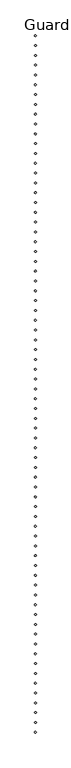
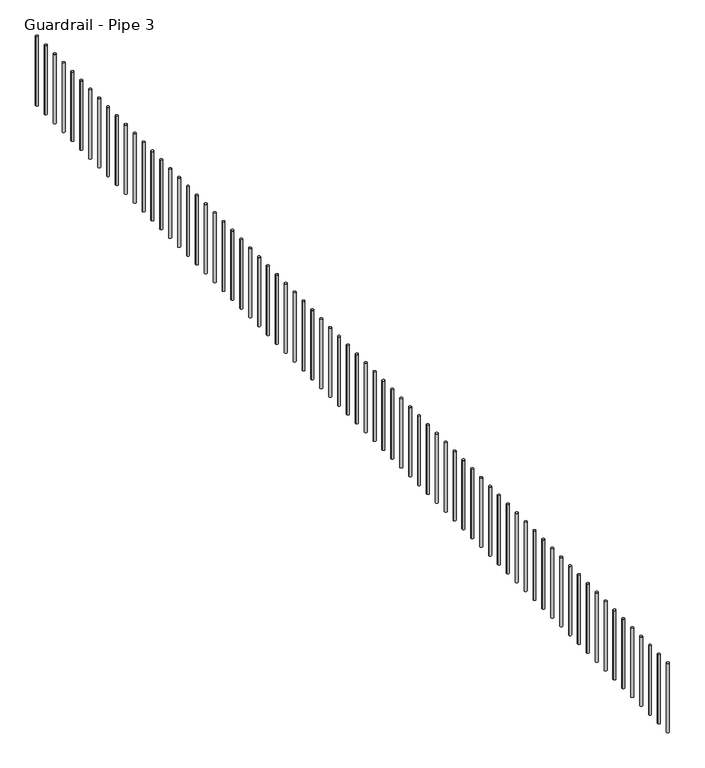
"""IFC4 building model written with IfcOpenShell, lengths in millimetres: railing geometry, Guardrail - Pipe 3."""

import ifcopenshell
import ifcopenshell.guid

model = None  # the IFC model being written
_history = None  # IfcOwnerHistory: only IFC2X3 demands one
_inside = {}  # id of a spatial element -> (the spatial element, [elements in it])
_under = {}  # id of a project, library or spatial element -> (it, [spatial elements below it])
_declared = {}  # id of a project -> (the project, [libraries it declares])
_typed = {}  # id of a type object -> (the type object, [elements of that type])
_made_of = {}  # id of a material, layer set ... -> (it, [elements and type objects made of it])


def new_model(schema):
    """Start an empty IFC model of exactly this schema.

    Asked for "IFC4X3", IfcOpenShell would pick the latest addendum, in which some entities
    have other attributes; the version numbers below select the first issue.
    IFC2X3 requires an IfcOwnerHistory on every rooted entity: one is made here for all.
    """
    global model, _history
    if schema == "IFC4X3":
        model = ifcopenshell.file(schema_version=(4, 3, 0, 0))
    else:
        model = ifcopenshell.file(schema=schema)
    _inside.clear()
    _under.clear()
    _declared.clear()
    _typed.clear()
    _made_of.clear()
    _history = None
    if model.schema == "IFC2X3":
        org = make("IfcOrganization", Name="unknown")
        user = make(
            "IfcPersonAndOrganization",
            ThePerson=make("IfcPerson", FamilyName="unknown"),
            TheOrganization=org,
        )
        app = make(
            "IfcApplication",
            ApplicationDeveloper=org,
            Version="unknown",
            ApplicationFullName="unknown",
            ApplicationIdentifier="unknown",
        )
        _history = make(
            "IfcOwnerHistory",
            OwningUser=user,
            OwningApplication=app,
            ChangeAction="ADDED",
            CreationDate=0,
        )
    return model


def make(cls, **values):
    """One entity of the class cls with the attributes given. An attribute that is None is left unset."""
    return model.create_entity(
        cls, **{name: value for name, value in values.items() if value is not None}
    )


def rooted(cls, **values):
    """An entity with a GlobalId (a new one), such as an element, a storey or a relation."""
    return make(cls, GlobalId=ifcopenshell.guid.new(), OwnerHistory=_history, **values)


def si_unit(unit_type, name, prefix=None):
    """IfcSIUnit, for example si_unit("LENGTHUNIT", "METRE", prefix="MILLI")."""
    return make("IfcSIUnit", UnitType=unit_type, Prefix=prefix, Name=name)


def assignment(units):
    """IfcUnitAssignment: the units of a project."""
    return None if units is None else make("IfcUnitAssignment", Units=units)


def point(xyz):
    """IfcCartesianPoint."""
    return None if xyz is None else make("IfcCartesianPoint", Coordinates=xyz)


def direction(xyz):
    """IfcDirection."""
    return None if xyz is None else make("IfcDirection", DirectionRatios=xyz)


def frame(location, z_axis=None, x_axis=None):
    """IfcAxis2Placement3D, a coordinate frame: its origin and axes. An axis left out is left unset."""
    return make(
        "IfcAxis2Placement3D",
        Location=point(location),
        Axis=direction(z_axis),
        RefDirection=direction(x_axis),
    )


def frame_2d(location, x_axis=None):
    """IfcAxis2Placement2D, a coordinate frame in the plane: its origin and x axis."""
    return make(
        "IfcAxis2Placement2D", Location=point(location), RefDirection=direction(x_axis)
    )


def origin():
    """The frame at (0, 0, 0) with its axes left unset."""
    return frame((0.0, 0.0, 0.0))


def place(relative_to, where):
    """IfcLocalPlacement: puts the frame where relative to a parent placement (None: the world)."""
    return make(
        "IfcLocalPlacement", PlacementRelTo=relative_to, RelativePlacement=where
    )


def context(
    kind, dimensions, precision=None, world=None, true_north=None, identifier=None
):
    """IfcGeometricRepresentationContext, for example the 3D "Model" context."""
    return make(
        "IfcGeometricRepresentationContext",
        ContextIdentifier=identifier,
        ContextType=kind,
        CoordinateSpaceDimension=dimensions,
        Precision=precision,
        WorldCoordinateSystem=world,
        TrueNorth=true_north,
    )


def project(units=None, contexts=None):
    """IfcProject with its units and contexts."""
    return rooted(
        "IfcProject",
        Name="project",
        RepresentationContexts=contexts,
        UnitsInContext=assignment(units),
    )


def spatial(cls, under=None, at=None, **own):
    """A site, building, storey or space (cls), placed at a placement, below another one or the project."""
    s = rooted(cls, ObjectPlacement=at, **own)
    if under is not None:
        _under.setdefault(under.id(), (under, []))[1].append(s)
    return s


def circle_curve(where, radius):
    """IfcCircle in the frame where."""
    return make("IfcCircle", Position=where, Radius=radius)


def trimmed(basis, trim1, trim2, sense, master):
    """IfcTrimmedCurve: the piece of a basis curve between two trims."""
    return make(
        "IfcTrimmedCurve",
        BasisCurve=basis,
        Trim1=trim1,
        Trim2=trim2,
        SenseAgreement=sense,
        MasterRepresentation=master,
    )


def segment(curve, same_sense, transition):
    """IfcCompositeCurveSegment."""
    return make(
        "IfcCompositeCurveSegment",
        Transition=transition,
        SameSense=same_sense,
        ParentCurve=curve,
    )


def composite_curve(segments, self_intersect=None):
    """IfcCompositeCurve: segments joined end to end."""
    return make("IfcCompositeCurve", Segments=segments, SelfIntersect=self_intersect)


def outline(outer, holes=None, kind="AREA"):
    """IfcArbitraryClosedProfileDef: a profile drawn as a closed curve; with holes, ...WithVoids."""
    if holes is None:
        return make("IfcArbitraryClosedProfileDef", ProfileType=kind, OuterCurve=outer)
    return make(
        "IfcArbitraryProfileDefWithVoids",
        ProfileType=kind,
        OuterCurve=outer,
        InnerCurves=holes,
    )


def extrude(swept, where, along, depth):
    """IfcExtrudedAreaSolid: the profile swept, set in the frame where, extruded along a direction by depth."""
    return make(
        "IfcExtrudedAreaSolid",
        SweptArea=swept,
        Position=where,
        ExtrudedDirection=direction(along),
        Depth=depth,
    )


def shape(context_of_items, identifier, shape_type, items):
    """IfcShapeRepresentation: the items that make up one representation, for example the "Body"."""
    return make(
        "IfcShapeRepresentation",
        ContextOfItems=context_of_items,
        RepresentationIdentifier=identifier,
        RepresentationType=shape_type,
        Items=items,
    )


def source(mapping_origin, context_of_items, identifier, shape_type, items):
    """IfcRepresentationMap: a shape defined once, which mapped items show again and again."""
    return make(
        "IfcRepresentationMap",
        MappingOrigin=mapping_origin,
        MappedRepresentation=shape(context_of_items, identifier, shape_type, items),
    )


def transform(
    local_origin,
    x_axis=None,
    y_axis=None,
    z_axis=None,
    scale=None,
    scale2=None,
    scale3=None,
    uniform=True,
):
    """IfcCartesianTransformationOperator3D, or its non-uniform kind. x_axis, y_axis, z_axis: its Axis1, 2, 3."""
    if uniform:
        return make(
            "IfcCartesianTransformationOperator3D",
            Axis1=direction(x_axis),
            Axis2=direction(y_axis),
            LocalOrigin=point(local_origin),
            Scale=scale,
            Axis3=direction(z_axis),
        )
    return make(
        "IfcCartesianTransformationOperator3DnonUniform",
        Axis1=direction(x_axis),
        Axis2=direction(y_axis),
        LocalOrigin=point(local_origin),
        Scale=scale,
        Axis3=direction(z_axis),
        Scale2=scale2,
        Scale3=scale3,
    )


def mapped(mapping_source, mapping_target):
    """IfcMappedItem: shows the shape of a source again, moved by a transform."""
    return make(
        "IfcMappedItem", MappingSource=mapping_source, MappingTarget=mapping_target
    )


def made_of(thing, what):
    """Note that an element or type object is made of a material, layer set ...; save() writes the relation."""
    if what is not None:
        _made_of.setdefault(what.id(), (what, []))[1].append(thing)
    return thing


def element(
    cls,
    number,
    at=None,
    inside=None,
    cuts=None,
    type_object=None,
    material=None,
    context=None,
    identifier="Body",
    shape_type=None,
    held_by="IfcProductDefinitionShape",
    body=None,
    shapes=None,
    **own,
):
    """One element of the class cls, such as IfcWall. Its Tag is "e" and its number.

    at: its placement. inside: the storey or other place that contains it. cuts: it is an
    opening in that element (IfcRelVoidsElement). A single representation is given by context,
    identifier, shape_type and body (its items); several are given by shapes. held_by: the class
    of the entity that holds the representations. save() writes the other relations.
    """
    e = rooted(cls, Tag="e%d" % number, ObjectPlacement=at, **own)
    if body is not None:
        shapes = [shape(context, identifier, shape_type, body)]
    if shapes is not None:
        e.Representation = make(held_by, Representations=shapes)
    if inside is not None:
        _inside.setdefault(inside.id(), (inside, []))[1].append(e)
    if cuts is not None:
        rooted(
            "IfcRelVoidsElement", RelatingBuildingElement=cuts, RelatedOpeningElement=e
        )
    if type_object is not None:
        _typed.setdefault(type_object.id(), (type_object, []))[1].append(e)
    return made_of(e, material)


def aggregate(whole, parts):
    """IfcRelAggregates: a whole, such as a stair, and the parts it consists of."""
    return rooted("IfcRelAggregates", RelatingObject=whole, RelatedObjects=parts)


def save(model, path):
    """Write the relations noted so far, then the file.

    IfcRelAggregates (storeys below a building ...), IfcRelContainedInSpatialStructure (elements
    in a storey), IfcRelDefinesByType, IfcRelAssociatesMaterial and IfcRelDeclares: one each for
    every whole, place, type object, material and project.
    """
    for whole, parts in _under.values():
        aggregate(whole, parts)
    for where, things in _inside.values():
        rooted(
            "IfcRelContainedInSpatialStructure",
            RelatedElements=things,
            RelatingStructure=where,
        )
    for kind, things in _typed.values():
        rooted("IfcRelDefinesByType", RelatedObjects=things, RelatingType=kind)
    for what, things in _made_of.values():
        rooted("IfcRelAssociatesMaterial", RelatedObjects=things, RelatingMaterial=what)
    for by, libraries in _declared.values():
        rooted("IfcRelDeclares", RelatingContext=by, RelatedDefinitions=libraries)
    model.write(path)


def guardrail_pipe_3_2afe7700(model_context):
    return source(origin(), model_context, "Body", "SweptSolid", [
        extrude(outline(composite_curve([segment(trimmed(circle_curve(frame_2d((267300.2280266, -532345.8424218)), 12.7), [point((267312.9280266, -532345.8424218))], [point((267287.5280266, -532345.8424218))], False, "CARTESIAN"), True, "CONTINUOUS"), segment(trimmed(circle_curve(frame_2d((267300.2280266, -532345.8424218)), 12.7), [point((267287.5280266, -532345.8424218))], [point((267312.9280266, -532345.8424218))], False, "CARTESIAN"), True, "CONTINUOUS")], self_intersect=False)), frame((0.0, 0.0, 4267.2), z_axis=(0.0, 0.0, 1.0), x_axis=(1.0, 0.0, 0.0)), (0.0, 0.0, 1.0), 723.9),
        extrude(outline(composite_curve([segment(trimmed(circle_curve(frame_2d((267300.2280266, -532193.4424218)), 12.7), [point((267312.9280266, -532193.4424218))], [point((267287.5280266, -532193.4424218))], False, "CARTESIAN"), True, "CONTINUOUS"), segment(trimmed(circle_curve(frame_2d((267300.2280266, -532193.4424218)), 12.7), [point((267287.5280266, -532193.4424218))], [point((267312.9280266, -532193.4424218))], False, "CARTESIAN"), True, "CONTINUOUS")], self_intersect=False)), frame((0.0, 0.0, 4267.2), z_axis=(0.0, 0.0, 1.0), x_axis=(1.0, 0.0, 0.0)), (0.0, 0.0, 1.0), 723.9),
        extrude(outline(composite_curve([segment(trimmed(circle_curve(frame_2d((267300.2280266, -532041.0424218)), 12.7), [point((267312.9280266, -532041.0424218))], [point((267287.5280266, -532041.0424218))], False, "CARTESIAN"), True, "CONTINUOUS"), segment(trimmed(circle_curve(frame_2d((267300.2280266, -532041.0424218)), 12.7), [point((267287.5280266, -532041.0424218))], [point((267312.9280266, -532041.0424218))], False, "CARTESIAN"), True, "CONTINUOUS")], self_intersect=False)), frame((0.0, 0.0, 4267.2), z_axis=(0.0, 0.0, 1.0), x_axis=(1.0, 0.0, 0.0)), (0.0, 0.0, 1.0), 723.9),
        extrude(outline(composite_curve([segment(trimmed(circle_curve(frame_2d((267300.2280266, -531888.6424218)), 12.7), [point((267312.9280266, -531888.6424218))], [point((267287.5280266, -531888.6424218))], False, "CARTESIAN"), True, "CONTINUOUS"), segment(trimmed(circle_curve(frame_2d((267300.2280266, -531888.6424218)), 12.7), [point((267287.5280266, -531888.6424218))], [point((267312.9280266, -531888.6424218))], False, "CARTESIAN"), True, "CONTINUOUS")], self_intersect=False)), frame((0.0, 0.0, 4267.2), z_axis=(0.0, 0.0, 1.0), x_axis=(1.0, 0.0, 0.0)), (0.0, 0.0, 1.0), 723.9),
        extrude(outline(composite_curve([segment(trimmed(circle_curve(frame_2d((267300.2280266, -531736.2424218)), 12.7), [point((267312.9280266, -531736.2424218))], [point((267287.5280266, -531736.2424218))], False, "CARTESIAN"), True, "CONTINUOUS"), segment(trimmed(circle_curve(frame_2d((267300.2280266, -531736.2424218)), 12.7), [point((267287.5280266, -531736.2424218))], [point((267312.9280266, -531736.2424218))], False, "CARTESIAN"), True, "CONTINUOUS")], self_intersect=False)), frame((0.0, 0.0, 4267.2), z_axis=(0.0, 0.0, 1.0), x_axis=(1.0, 0.0, 0.0)), (0.0, 0.0, 1.0), 723.9),
        extrude(outline(composite_curve([segment(trimmed(circle_curve(frame_2d((267300.2280266, -531583.8424218)), 12.7), [point((267312.9280266, -531583.8424218))], [point((267287.5280266, -531583.8424218))], False, "CARTESIAN"), True, "CONTINUOUS"), segment(trimmed(circle_curve(frame_2d((267300.2280266, -531583.8424218)), 12.7), [point((267287.5280266, -531583.8424218))], [point((267312.9280266, -531583.8424218))], False, "CARTESIAN"), True, "CONTINUOUS")], self_intersect=False)), frame((0.0, 0.0, 4267.2), z_axis=(0.0, 0.0, 1.0), x_axis=(1.0, 0.0, 0.0)), (0.0, 0.0, 1.0), 723.9),
        extrude(outline(composite_curve([segment(trimmed(circle_curve(frame_2d((267300.2280266, -531431.4424218)), 12.7), [point((267312.9280266, -531431.4424218))], [point((267287.5280266, -531431.4424218))], False, "CARTESIAN"), True, "CONTINUOUS"), segment(trimmed(circle_curve(frame_2d((267300.2280266, -531431.4424218)), 12.7), [point((267287.5280266, -531431.4424218))], [point((267312.9280266, -531431.4424218))], False, "CARTESIAN"), True, "CONTINUOUS")], self_intersect=False)), frame((0.0, 0.0, 4267.2), z_axis=(0.0, 0.0, 1.0), x_axis=(1.0, 0.0, 0.0)), (0.0, 0.0, 1.0), 723.9),
        extrude(outline(composite_curve([segment(trimmed(circle_curve(frame_2d((267300.2280266, -531279.0424218)), 12.7), [point((267312.9280266, -531279.0424218))], [point((267287.5280266, -531279.0424218))], False, "CARTESIAN"), True, "CONTINUOUS"), segment(trimmed(circle_curve(frame_2d((267300.2280266, -531279.0424218)), 12.7), [point((267287.5280266, -531279.0424218))], [point((267312.9280266, -531279.0424218))], False, "CARTESIAN"), True, "CONTINUOUS")], self_intersect=False)), frame((0.0, 0.0, 4267.2), z_axis=(0.0, 0.0, 1.0), x_axis=(1.0, 0.0, 0.0)), (0.0, 0.0, 1.0), 723.9),
        extrude(outline(composite_curve([segment(trimmed(circle_curve(frame_2d((267300.2280266, -531126.6424218)), 12.7), [point((267312.9280266, -531126.6424218))], [point((267287.5280266, -531126.6424218))], False, "CARTESIAN"), True, "CONTINUOUS"), segment(trimmed(circle_curve(frame_2d((267300.2280266, -531126.6424218)), 12.7), [point((267287.5280266, -531126.6424218))], [point((267312.9280266, -531126.6424218))], False, "CARTESIAN"), True, "CONTINUOUS")], self_intersect=False)), frame((0.0, 0.0, 4267.2), z_axis=(0.0, 0.0, 1.0), x_axis=(1.0, 0.0, 0.0)), (0.0, 0.0, 1.0), 723.9),
        extrude(outline(composite_curve([segment(trimmed(circle_curve(frame_2d((267300.2280266, -530974.2424218)), 12.7), [point((267312.9280266, -530974.2424218))], [point((267287.5280266, -530974.2424218))], False, "CARTESIAN"), True, "CONTINUOUS"), segment(trimmed(circle_curve(frame_2d((267300.2280266, -530974.2424218)), 12.7), [point((267287.5280266, -530974.2424218))], [point((267312.9280266, -530974.2424218))], False, "CARTESIAN"), True, "CONTINUOUS")], self_intersect=False)), frame((0.0, 0.0, 4267.2), z_axis=(0.0, 0.0, 1.0), x_axis=(1.0, 0.0, 0.0)), (0.0, 0.0, 1.0), 723.9),
        extrude(outline(composite_curve([segment(trimmed(circle_curve(frame_2d((267300.2280266, -530821.8424218)), 12.7), [point((267312.9280266, -530821.8424218))], [point((267287.5280266, -530821.8424218))], False, "CARTESIAN"), True, "CONTINUOUS"), segment(trimmed(circle_curve(frame_2d((267300.2280266, -530821.8424218)), 12.7), [point((267287.5280266, -530821.8424218))], [point((267312.9280266, -530821.8424218))], False, "CARTESIAN"), True, "CONTINUOUS")], self_intersect=False)), frame((0.0, 0.0, 4267.2), z_axis=(0.0, 0.0, 1.0), x_axis=(1.0, 0.0, 0.0)), (0.0, 0.0, 1.0), 723.9),
        extrude(outline(composite_curve([segment(trimmed(circle_curve(frame_2d((267300.2280266, -530669.4424218)), 12.7), [point((267312.9280266, -530669.4424218))], [point((267287.5280266, -530669.4424218))], False, "CARTESIAN"), True, "CONTINUOUS"), segment(trimmed(circle_curve(frame_2d((267300.2280266, -530669.4424218)), 12.7), [point((267287.5280266, -530669.4424218))], [point((267312.9280266, -530669.4424218))], False, "CARTESIAN"), True, "CONTINUOUS")], self_intersect=False)), frame((0.0, 0.0, 4267.2), z_axis=(0.0, 0.0, 1.0), x_axis=(1.0, 0.0, 0.0)), (0.0, 0.0, 1.0), 723.9),
        extrude(outline(composite_curve([segment(trimmed(circle_curve(frame_2d((267300.2280266, -530517.0424218)), 12.7), [point((267312.9280266, -530517.0424218))], [point((267287.5280266, -530517.0424218))], False, "CARTESIAN"), True, "CONTINUOUS"), segment(trimmed(circle_curve(frame_2d((267300.2280266, -530517.0424218)), 12.7), [point((267287.5280266, -530517.0424218))], [point((267312.9280266, -530517.0424218))], False, "CARTESIAN"), True, "CONTINUOUS")], self_intersect=False)), frame((0.0, 0.0, 4267.2), z_axis=(0.0, 0.0, 1.0), x_axis=(1.0, 0.0, 0.0)), (0.0, 0.0, 1.0), 723.9),
        extrude(outline(composite_curve([segment(trimmed(circle_curve(frame_2d((267300.2280266, -530364.6424218)), 12.7), [point((267312.9280266, -530364.6424218))], [point((267287.5280266, -530364.6424218))], False, "CARTESIAN"), True, "CONTINUOUS"), segment(trimmed(circle_curve(frame_2d((267300.2280266, -530364.6424218)), 12.7), [point((267287.5280266, -530364.6424218))], [point((267312.9280266, -530364.6424218))], False, "CARTESIAN"), True, "CONTINUOUS")], self_intersect=False)), frame((0.0, 0.0, 4267.2), z_axis=(0.0, 0.0, 1.0), x_axis=(1.0, 0.0, 0.0)), (0.0, 0.0, 1.0), 723.9),
        extrude(outline(composite_curve([segment(trimmed(circle_curve(frame_2d((267300.2280266, -530212.2424218)), 12.7), [point((267312.9280266, -530212.2424218))], [point((267287.5280266, -530212.2424218))], False, "CARTESIAN"), True, "CONTINUOUS"), segment(trimmed(circle_curve(frame_2d((267300.2280266, -530212.2424218)), 12.7), [point((267287.5280266, -530212.2424218))], [point((267312.9280266, -530212.2424218))], False, "CARTESIAN"), True, "CONTINUOUS")], self_intersect=False)), frame((0.0, 0.0, 4267.2), z_axis=(0.0, 0.0, 1.0), x_axis=(1.0, 0.0, 0.0)), (0.0, 0.0, 1.0), 723.9),
        extrude(outline(composite_curve([segment(trimmed(circle_curve(frame_2d((267300.2280266, -530059.8424218)), 12.7), [point((267312.9280266, -530059.8424218))], [point((267287.5280266, -530059.8424218))], False, "CARTESIAN"), True, "CONTINUOUS"), segment(trimmed(circle_curve(frame_2d((267300.2280266, -530059.8424218)), 12.7), [point((267287.5280266, -530059.8424218))], [point((267312.9280266, -530059.8424218))], False, "CARTESIAN"), True, "CONTINUOUS")], self_intersect=False)), frame((0.0, 0.0, 4267.2), z_axis=(0.0, 0.0, 1.0), x_axis=(1.0, 0.0, 0.0)), (0.0, 0.0, 1.0), 723.9),
        extrude(outline(composite_curve([segment(trimmed(circle_curve(frame_2d((267300.2280266, -529907.4424218)), 12.7), [point((267312.9280266, -529907.4424218))], [point((267287.5280266, -529907.4424218))], False, "CARTESIAN"), True, "CONTINUOUS"), segment(trimmed(circle_curve(frame_2d((267300.2280266, -529907.4424218)), 12.7), [point((267287.5280266, -529907.4424218))], [point((267312.9280266, -529907.4424218))], False, "CARTESIAN"), True, "CONTINUOUS")], self_intersect=False)), frame((0.0, 0.0, 4267.2), z_axis=(0.0, 0.0, 1.0), x_axis=(1.0, 0.0, 0.0)), (0.0, 0.0, 1.0), 723.9),
        extrude(outline(composite_curve([segment(trimmed(circle_curve(frame_2d((267300.2280266, -529755.0424218)), 12.7), [point((267312.9280266, -529755.0424218))], [point((267287.5280266, -529755.0424218))], False, "CARTESIAN"), True, "CONTINUOUS"), segment(trimmed(circle_curve(frame_2d((267300.2280266, -529755.0424218)), 12.7), [point((267287.5280266, -529755.0424218))], [point((267312.9280266, -529755.0424218))], False, "CARTESIAN"), True, "CONTINUOUS")], self_intersect=False)), frame((0.0, 0.0, 4267.2), z_axis=(0.0, 0.0, 1.0), x_axis=(1.0, 0.0, 0.0)), (0.0, 0.0, 1.0), 723.9),
        extrude(outline(composite_curve([segment(trimmed(circle_curve(frame_2d((267300.2280266, -529602.6424218)), 12.7), [point((267312.9280266, -529602.6424218))], [point((267287.5280266, -529602.6424218))], False, "CARTESIAN"), True, "CONTINUOUS"), segment(trimmed(circle_curve(frame_2d((267300.2280266, -529602.6424218)), 12.7), [point((267287.5280266, -529602.6424218))], [point((267312.9280266, -529602.6424218))], False, "CARTESIAN"), True, "CONTINUOUS")], self_intersect=False)), frame((0.0, 0.0, 4267.2), z_axis=(0.0, 0.0, 1.0), x_axis=(1.0, 0.0, 0.0)), (0.0, 0.0, 1.0), 723.9),
        extrude(outline(composite_curve([segment(trimmed(circle_curve(frame_2d((267300.2280266, -529450.2424218)), 12.7), [point((267312.9280266, -529450.2424218))], [point((267287.5280266, -529450.2424218))], False, "CARTESIAN"), True, "CONTINUOUS"), segment(trimmed(circle_curve(frame_2d((267300.2280266, -529450.2424218)), 12.7), [point((267287.5280266, -529450.2424218))], [point((267312.9280266, -529450.2424218))], False, "CARTESIAN"), True, "CONTINUOUS")], self_intersect=False)), frame((0.0, 0.0, 4267.2), z_axis=(0.0, 0.0, 1.0), x_axis=(1.0, 0.0, 0.0)), (0.0, 0.0, 1.0), 723.9),
        extrude(outline(composite_curve([segment(trimmed(circle_curve(frame_2d((267300.2280266, -529297.8424218)), 12.7), [point((267312.9280266, -529297.8424218))], [point((267287.5280266, -529297.8424218))], False, "CARTESIAN"), True, "CONTINUOUS"), segment(trimmed(circle_curve(frame_2d((267300.2280266, -529297.8424218)), 12.7), [point((267287.5280266, -529297.8424218))], [point((267312.9280266, -529297.8424218))], False, "CARTESIAN"), True, "CONTINUOUS")], self_intersect=False)), frame((0.0, 0.0, 4267.2), z_axis=(0.0, 0.0, 1.0), x_axis=(1.0, 0.0, 0.0)), (0.0, 0.0, 1.0), 723.9),
        extrude(outline(composite_curve([segment(trimmed(circle_curve(frame_2d((267300.2280266, -529145.4424218)), 12.7), [point((267312.9280266, -529145.4424218))], [point((267287.5280266, -529145.4424218))], False, "CARTESIAN"), True, "CONTINUOUS"), segment(trimmed(circle_curve(frame_2d((267300.2280266, -529145.4424218)), 12.7), [point((267287.5280266, -529145.4424218))], [point((267312.9280266, -529145.4424218))], False, "CARTESIAN"), True, "CONTINUOUS")], self_intersect=False)), frame((0.0, 0.0, 4267.2), z_axis=(0.0, 0.0, 1.0), x_axis=(1.0, 0.0, 0.0)), (0.0, 0.0, 1.0), 723.9),
        extrude(outline(composite_curve([segment(trimmed(circle_curve(frame_2d((267300.2280266, -528993.0424218)), 12.7), [point((267312.9280266, -528993.0424218))], [point((267287.5280266, -528993.0424218))], False, "CARTESIAN"), True, "CONTINUOUS"), segment(trimmed(circle_curve(frame_2d((267300.2280266, -528993.0424218)), 12.7), [point((267287.5280266, -528993.0424218))], [point((267312.9280266, -528993.0424218))], False, "CARTESIAN"), True, "CONTINUOUS")], self_intersect=False)), frame((0.0, 0.0, 4267.2), z_axis=(0.0, 0.0, 1.0), x_axis=(1.0, 0.0, 0.0)), (0.0, 0.0, 1.0), 723.9),
        extrude(outline(composite_curve([segment(trimmed(circle_curve(frame_2d((267300.2280266, -528840.6424218)), 12.7), [point((267312.9280266, -528840.6424218))], [point((267287.5280266, -528840.6424218))], False, "CARTESIAN"), True, "CONTINUOUS"), segment(trimmed(circle_curve(frame_2d((267300.2280266, -528840.6424218)), 12.7), [point((267287.5280266, -528840.6424218))], [point((267312.9280266, -528840.6424218))], False, "CARTESIAN"), True, "CONTINUOUS")], self_intersect=False)), frame((0.0, 0.0, 4267.2), z_axis=(0.0, 0.0, 1.0), x_axis=(1.0, 0.0, 0.0)), (0.0, 0.0, 1.0), 723.9),
        extrude(outline(composite_curve([segment(trimmed(circle_curve(frame_2d((267300.2280266, -528688.2424218)), 12.7), [point((267312.9280266, -528688.2424218))], [point((267287.5280266, -528688.2424218))], False, "CARTESIAN"), True, "CONTINUOUS"), segment(trimmed(circle_curve(frame_2d((267300.2280266, -528688.2424218)), 12.7), [point((267287.5280266, -528688.2424218))], [point((267312.9280266, -528688.2424218))], False, "CARTESIAN"), True, "CONTINUOUS")], self_intersect=False)), frame((0.0, 0.0, 4267.2), z_axis=(0.0, 0.0, 1.0), x_axis=(1.0, 0.0, 0.0)), (0.0, 0.0, 1.0), 723.9),
        extrude(outline(composite_curve([segment(trimmed(circle_curve(frame_2d((267300.2280266, -528535.8424218)), 12.7), [point((267312.9280266, -528535.8424218))], [point((267287.5280266, -528535.8424218))], False, "CARTESIAN"), True, "CONTINUOUS"), segment(trimmed(circle_curve(frame_2d((267300.2280266, -528535.8424218)), 12.7), [point((267287.5280266, -528535.8424218))], [point((267312.9280266, -528535.8424218))], False, "CARTESIAN"), True, "CONTINUOUS")], self_intersect=False)), frame((0.0, 0.0, 4267.2), z_axis=(0.0, 0.0, 1.0), x_axis=(1.0, 0.0, 0.0)), (0.0, 0.0, 1.0), 723.9),
        extrude(outline(composite_curve([segment(trimmed(circle_curve(frame_2d((267300.2280266, -528383.4424218)), 12.7), [point((267312.9280266, -528383.4424218))], [point((267287.5280266, -528383.4424218))], False, "CARTESIAN"), True, "CONTINUOUS"), segment(trimmed(circle_curve(frame_2d((267300.2280266, -528383.4424218)), 12.7), [point((267287.5280266, -528383.4424218))], [point((267312.9280266, -528383.4424218))], False, "CARTESIAN"), True, "CONTINUOUS")], self_intersect=False)), frame((0.0, 0.0, 4267.2), z_axis=(0.0, 0.0, 1.0), x_axis=(1.0, 0.0, 0.0)), (0.0, 0.0, 1.0), 723.9),
        extrude(outline(composite_curve([segment(trimmed(circle_curve(frame_2d((267300.2280266, -528231.0424218)), 12.7), [point((267312.9280266, -528231.0424218))], [point((267287.5280266, -528231.0424218))], False, "CARTESIAN"), True, "CONTINUOUS"), segment(trimmed(circle_curve(frame_2d((267300.2280266, -528231.0424218)), 12.7), [point((267287.5280266, -528231.0424218))], [point((267312.9280266, -528231.0424218))], False, "CARTESIAN"), True, "CONTINUOUS")], self_intersect=False)), frame((0.0, 0.0, 4267.2), z_axis=(0.0, 0.0, 1.0), x_axis=(1.0, 0.0, 0.0)), (0.0, 0.0, 1.0), 723.9),
        extrude(outline(composite_curve([segment(trimmed(circle_curve(frame_2d((267300.2280266, -528078.6424218)), 12.7), [point((267312.9280266, -528078.6424218))], [point((267287.5280266, -528078.6424218))], False, "CARTESIAN"), True, "CONTINUOUS"), segment(trimmed(circle_curve(frame_2d((267300.2280266, -528078.6424218)), 12.7), [point((267287.5280266, -528078.6424218))], [point((267312.9280266, -528078.6424218))], False, "CARTESIAN"), True, "CONTINUOUS")], self_intersect=False)), frame((0.0, 0.0, 4267.2), z_axis=(0.0, 0.0, 1.0), x_axis=(1.0, 0.0, 0.0)), (0.0, 0.0, 1.0), 723.9),
        extrude(outline(composite_curve([segment(trimmed(circle_curve(frame_2d((267300.2280266, -527926.2424218)), 12.7), [point((267312.9280266, -527926.2424218))], [point((267287.5280266, -527926.2424218))], False, "CARTESIAN"), True, "CONTINUOUS"), segment(trimmed(circle_curve(frame_2d((267300.2280266, -527926.2424218)), 12.7), [point((267287.5280266, -527926.2424218))], [point((267312.9280266, -527926.2424218))], False, "CARTESIAN"), True, "CONTINUOUS")], self_intersect=False)), frame((0.0, 0.0, 4267.2), z_axis=(0.0, 0.0, 1.0), x_axis=(1.0, 0.0, 0.0)), (0.0, 0.0, 1.0), 723.9),
        extrude(outline(composite_curve([segment(trimmed(circle_curve(frame_2d((267300.2280266, -527773.8424218)), 12.7), [point((267312.9280266, -527773.8424218))], [point((267287.5280266, -527773.8424218))], False, "CARTESIAN"), True, "CONTINUOUS"), segment(trimmed(circle_curve(frame_2d((267300.2280266, -527773.8424218)), 12.7), [point((267287.5280266, -527773.8424218))], [point((267312.9280266, -527773.8424218))], False, "CARTESIAN"), True, "CONTINUOUS")], self_intersect=False)), frame((0.0, 0.0, 4267.2), z_axis=(0.0, 0.0, 1.0), x_axis=(1.0, 0.0, 0.0)), (0.0, 0.0, 1.0), 723.9),
        extrude(outline(composite_curve([segment(trimmed(circle_curve(frame_2d((267300.2280266, -527621.4424218)), 12.7), [point((267312.9280266, -527621.4424218))], [point((267287.5280266, -527621.4424218))], False, "CARTESIAN"), True, "CONTINUOUS"), segment(trimmed(circle_curve(frame_2d((267300.2280266, -527621.4424218)), 12.7), [point((267287.5280266, -527621.4424218))], [point((267312.9280266, -527621.4424218))], False, "CARTESIAN"), True, "CONTINUOUS")], self_intersect=False)), frame((0.0, 0.0, 4267.2), z_axis=(0.0, 0.0, 1.0), x_axis=(1.0, 0.0, 0.0)), (0.0, 0.0, 1.0), 723.9),
        extrude(outline(composite_curve([segment(trimmed(circle_curve(frame_2d((267300.2280266, -527469.0424218)), 12.7), [point((267312.9280266, -527469.0424218))], [point((267287.5280266, -527469.0424218))], False, "CARTESIAN"), True, "CONTINUOUS"), segment(trimmed(circle_curve(frame_2d((267300.2280266, -527469.0424218)), 12.7), [point((267287.5280266, -527469.0424218))], [point((267312.9280266, -527469.0424218))], False, "CARTESIAN"), True, "CONTINUOUS")], self_intersect=False)), frame((0.0, 0.0, 4267.2), z_axis=(0.0, 0.0, 1.0), x_axis=(1.0, 0.0, 0.0)), (0.0, 0.0, 1.0), 723.9),
        extrude(outline(composite_curve([segment(trimmed(circle_curve(frame_2d((267300.2280266, -527316.6424218)), 12.7), [point((267312.9280266, -527316.6424218))], [point((267287.5280266, -527316.6424218))], False, "CARTESIAN"), True, "CONTINUOUS"), segment(trimmed(circle_curve(frame_2d((267300.2280266, -527316.6424218)), 12.7), [point((267287.5280266, -527316.6424218))], [point((267312.9280266, -527316.6424218))], False, "CARTESIAN"), True, "CONTINUOUS")], self_intersect=False)), frame((0.0, 0.0, 4267.2), z_axis=(0.0, 0.0, 1.0), x_axis=(1.0, 0.0, 0.0)), (0.0, 0.0, 1.0), 723.9),
        extrude(outline(composite_curve([segment(trimmed(circle_curve(frame_2d((267300.2280266, -527164.2424218)), 12.7), [point((267312.9280266, -527164.2424218))], [point((267287.5280266, -527164.2424218))], False, "CARTESIAN"), True, "CONTINUOUS"), segment(trimmed(circle_curve(frame_2d((267300.2280266, -527164.2424218)), 12.7), [point((267287.5280266, -527164.2424218))], [point((267312.9280266, -527164.2424218))], False, "CARTESIAN"), True, "CONTINUOUS")], self_intersect=False)), frame((0.0, 0.0, 4267.2), z_axis=(0.0, 0.0, 1.0), x_axis=(1.0, 0.0, 0.0)), (0.0, 0.0, 1.0), 723.9),
        extrude(outline(composite_curve([segment(trimmed(circle_curve(frame_2d((267300.2280266, -527011.8424218)), 12.7), [point((267312.9280266, -527011.8424218))], [point((267287.5280266, -527011.8424218))], False, "CARTESIAN"), True, "CONTINUOUS"), segment(trimmed(circle_curve(frame_2d((267300.2280266, -527011.8424218)), 12.7), [point((267287.5280266, -527011.8424218))], [point((267312.9280266, -527011.8424218))], False, "CARTESIAN"), True, "CONTINUOUS")], self_intersect=False)), frame((0.0, 0.0, 4267.2), z_axis=(0.0, 0.0, 1.0), x_axis=(1.0, 0.0, 0.0)), (0.0, 0.0, 1.0), 723.9),
        extrude(outline(composite_curve([segment(trimmed(circle_curve(frame_2d((267300.2280266, -526859.4424218)), 12.7), [point((267312.9280266, -526859.4424218))], [point((267287.5280266, -526859.4424218))], False, "CARTESIAN"), True, "CONTINUOUS"), segment(trimmed(circle_curve(frame_2d((267300.2280266, -526859.4424218)), 12.7), [point((267287.5280266, -526859.4424218))], [point((267312.9280266, -526859.4424218))], False, "CARTESIAN"), True, "CONTINUOUS")], self_intersect=False)), frame((0.0, 0.0, 4267.2), z_axis=(0.0, 0.0, 1.0), x_axis=(1.0, 0.0, 0.0)), (0.0, 0.0, 1.0), 723.9),
        extrude(outline(composite_curve([segment(trimmed(circle_curve(frame_2d((267300.2280266, -526707.0424218)), 12.7), [point((267312.9280266, -526707.0424218))], [point((267287.5280266, -526707.0424218))], False, "CARTESIAN"), True, "CONTINUOUS"), segment(trimmed(circle_curve(frame_2d((267300.2280266, -526707.0424218)), 12.7), [point((267287.5280266, -526707.0424218))], [point((267312.9280266, -526707.0424218))], False, "CARTESIAN"), True, "CONTINUOUS")], self_intersect=False)), frame((0.0, 0.0, 4267.2), z_axis=(0.0, 0.0, 1.0), x_axis=(1.0, 0.0, 0.0)), (0.0, 0.0, 1.0), 723.9),
        extrude(outline(composite_curve([segment(trimmed(circle_curve(frame_2d((267300.2280266, -526554.6424218)), 12.7), [point((267312.9280266, -526554.6424218))], [point((267287.5280266, -526554.6424218))], False, "CARTESIAN"), True, "CONTINUOUS"), segment(trimmed(circle_curve(frame_2d((267300.2280266, -526554.6424218)), 12.7), [point((267287.5280266, -526554.6424218))], [point((267312.9280266, -526554.6424218))], False, "CARTESIAN"), True, "CONTINUOUS")], self_intersect=False)), frame((0.0, 0.0, 4267.2), z_axis=(0.0, 0.0, 1.0), x_axis=(1.0, 0.0, 0.0)), (0.0, 0.0, 1.0), 723.9),
        extrude(outline(composite_curve([segment(trimmed(circle_curve(frame_2d((267300.2280266, -526402.2424218)), 12.7), [point((267312.9280266, -526402.2424218))], [point((267287.5280266, -526402.2424218))], False, "CARTESIAN"), True, "CONTINUOUS"), segment(trimmed(circle_curve(frame_2d((267300.2280266, -526402.2424218)), 12.7), [point((267287.5280266, -526402.2424218))], [point((267312.9280266, -526402.2424218))], False, "CARTESIAN"), True, "CONTINUOUS")], self_intersect=False)), frame((0.0, 0.0, 4267.2), z_axis=(0.0, 0.0, 1.0), x_axis=(1.0, 0.0, 0.0)), (0.0, 0.0, 1.0), 723.9),
        extrude(outline(composite_curve([segment(trimmed(circle_curve(frame_2d((267300.2280266, -526249.8424218)), 12.7), [point((267312.9280266, -526249.8424218))], [point((267287.5280266, -526249.8424218))], False, "CARTESIAN"), True, "CONTINUOUS"), segment(trimmed(circle_curve(frame_2d((267300.2280266, -526249.8424218)), 12.7), [point((267287.5280266, -526249.8424218))], [point((267312.9280266, -526249.8424218))], False, "CARTESIAN"), True, "CONTINUOUS")], self_intersect=False)), frame((0.0, 0.0, 4267.2), z_axis=(0.0, 0.0, 1.0), x_axis=(1.0, 0.0, 0.0)), (0.0, 0.0, 1.0), 723.9),
        extrude(outline(composite_curve([segment(trimmed(circle_curve(frame_2d((267300.2280266, -526097.4424218)), 12.7), [point((267312.9280266, -526097.4424218))], [point((267287.5280266, -526097.4424218))], False, "CARTESIAN"), True, "CONTINUOUS"), segment(trimmed(circle_curve(frame_2d((267300.2280266, -526097.4424218)), 12.7), [point((267287.5280266, -526097.4424218))], [point((267312.9280266, -526097.4424218))], False, "CARTESIAN"), True, "CONTINUOUS")], self_intersect=False)), frame((0.0, 0.0, 4267.2), z_axis=(0.0, 0.0, 1.0), x_axis=(1.0, 0.0, 0.0)), (0.0, 0.0, 1.0), 723.9),
        extrude(outline(composite_curve([segment(trimmed(circle_curve(frame_2d((267300.2280266, -525945.0424218)), 12.7), [point((267312.9280266, -525945.0424218))], [point((267287.5280266, -525945.0424218))], False, "CARTESIAN"), True, "CONTINUOUS"), segment(trimmed(circle_curve(frame_2d((267300.2280266, -525945.0424218)), 12.7), [point((267287.5280266, -525945.0424218))], [point((267312.9280266, -525945.0424218))], False, "CARTESIAN"), True, "CONTINUOUS")], self_intersect=False)), frame((0.0, 0.0, 4267.2), z_axis=(0.0, 0.0, 1.0), x_axis=(1.0, 0.0, 0.0)), (0.0, 0.0, 1.0), 723.9),
        extrude(outline(composite_curve([segment(trimmed(circle_curve(frame_2d((267300.2280266, -525792.6424218)), 12.7), [point((267312.9280266, -525792.6424218))], [point((267287.5280266, -525792.6424218))], False, "CARTESIAN"), True, "CONTINUOUS"), segment(trimmed(circle_curve(frame_2d((267300.2280266, -525792.6424218)), 12.7), [point((267287.5280266, -525792.6424218))], [point((267312.9280266, -525792.6424218))], False, "CARTESIAN"), True, "CONTINUOUS")], self_intersect=False)), frame((0.0, 0.0, 4267.2), z_axis=(0.0, 0.0, 1.0), x_axis=(1.0, 0.0, 0.0)), (0.0, 0.0, 1.0), 723.9),
        extrude(outline(composite_curve([segment(trimmed(circle_curve(frame_2d((267300.2280266, -525640.2424218)), 12.7), [point((267312.9280266, -525640.2424218))], [point((267287.5280266, -525640.2424218))], False, "CARTESIAN"), True, "CONTINUOUS"), segment(trimmed(circle_curve(frame_2d((267300.2280266, -525640.2424218)), 12.7), [point((267287.5280266, -525640.2424218))], [point((267312.9280266, -525640.2424218))], False, "CARTESIAN"), True, "CONTINUOUS")], self_intersect=False)), frame((0.0, 0.0, 4267.2), z_axis=(0.0, 0.0, 1.0), x_axis=(1.0, 0.0, 0.0)), (0.0, 0.0, 1.0), 723.9),
        extrude(outline(composite_curve([segment(trimmed(circle_curve(frame_2d((267300.2280266, -525487.8424218)), 12.7), [point((267312.9280266, -525487.8424218))], [point((267287.5280266, -525487.8424218))], False, "CARTESIAN"), True, "CONTINUOUS"), segment(trimmed(circle_curve(frame_2d((267300.2280266, -525487.8424218)), 12.7), [point((267287.5280266, -525487.8424218))], [point((267312.9280266, -525487.8424218))], False, "CARTESIAN"), True, "CONTINUOUS")], self_intersect=False)), frame((0.0, 0.0, 4267.2), z_axis=(0.0, 0.0, 1.0), x_axis=(1.0, 0.0, 0.0)), (0.0, 0.0, 1.0), 723.9),
        extrude(outline(composite_curve([segment(trimmed(circle_curve(frame_2d((267300.2280266, -525335.4424218)), 12.7), [point((267312.9280266, -525335.4424218))], [point((267287.5280266, -525335.4424218))], False, "CARTESIAN"), True, "CONTINUOUS"), segment(trimmed(circle_curve(frame_2d((267300.2280266, -525335.4424218)), 12.7), [point((267287.5280266, -525335.4424218))], [point((267312.9280266, -525335.4424218))], False, "CARTESIAN"), True, "CONTINUOUS")], self_intersect=False)), frame((0.0, 0.0, 4267.2), z_axis=(0.0, 0.0, 1.0), x_axis=(1.0, 0.0, 0.0)), (0.0, 0.0, 1.0), 723.9),
        extrude(outline(composite_curve([segment(trimmed(circle_curve(frame_2d((267300.2280266, -525183.0424218)), 12.7), [point((267312.9280266, -525183.0424218))], [point((267287.5280266, -525183.0424218))], False, "CARTESIAN"), True, "CONTINUOUS"), segment(trimmed(circle_curve(frame_2d((267300.2280266, -525183.0424218)), 12.7), [point((267287.5280266, -525183.0424218))], [point((267312.9280266, -525183.0424218))], False, "CARTESIAN"), True, "CONTINUOUS")], self_intersect=False)), frame((0.0, 0.0, 4267.2), z_axis=(0.0, 0.0, 1.0), x_axis=(1.0, 0.0, 0.0)), (0.0, 0.0, 1.0), 723.9),
        extrude(outline(composite_curve([segment(trimmed(circle_curve(frame_2d((267300.2280266, -525030.6424218)), 12.7), [point((267312.9280266, -525030.6424218))], [point((267287.5280266, -525030.6424218))], False, "CARTESIAN"), True, "CONTINUOUS"), segment(trimmed(circle_curve(frame_2d((267300.2280266, -525030.6424218)), 12.7), [point((267287.5280266, -525030.6424218))], [point((267312.9280266, -525030.6424218))], False, "CARTESIAN"), True, "CONTINUOUS")], self_intersect=False)), frame((0.0, 0.0, 4267.2), z_axis=(0.0, 0.0, 1.0), x_axis=(1.0, 0.0, 0.0)), (0.0, 0.0, 1.0), 723.9),
        extrude(outline(composite_curve([segment(trimmed(circle_curve(frame_2d((267300.2280266, -524878.2424218)), 12.7), [point((267312.9280266, -524878.2424218))], [point((267287.5280266, -524878.2424218))], False, "CARTESIAN"), True, "CONTINUOUS"), segment(trimmed(circle_curve(frame_2d((267300.2280266, -524878.2424218)), 12.7), [point((267287.5280266, -524878.2424218))], [point((267312.9280266, -524878.2424218))], False, "CARTESIAN"), True, "CONTINUOUS")], self_intersect=False)), frame((0.0, 0.0, 4267.2), z_axis=(0.0, 0.0, 1.0), x_axis=(1.0, 0.0, 0.0)), (0.0, 0.0, 1.0), 723.9),
        extrude(outline(composite_curve([segment(trimmed(circle_curve(frame_2d((267300.2280266, -524725.8424218)), 12.7), [point((267312.9280266, -524725.8424218))], [point((267287.5280266, -524725.8424218))], False, "CARTESIAN"), True, "CONTINUOUS"), segment(trimmed(circle_curve(frame_2d((267300.2280266, -524725.8424218)), 12.7), [point((267287.5280266, -524725.8424218))], [point((267312.9280266, -524725.8424218))], False, "CARTESIAN"), True, "CONTINUOUS")], self_intersect=False)), frame((0.0, 0.0, 4267.2), z_axis=(0.0, 0.0, 1.0), x_axis=(1.0, 0.0, 0.0)), (0.0, 0.0, 1.0), 723.9),
        extrude(outline(composite_curve([segment(trimmed(circle_curve(frame_2d((267300.2280266, -524573.4424218)), 12.7), [point((267312.9280266, -524573.4424218))], [point((267287.5280266, -524573.4424218))], False, "CARTESIAN"), True, "CONTINUOUS"), segment(trimmed(circle_curve(frame_2d((267300.2280266, -524573.4424218)), 12.7), [point((267287.5280266, -524573.4424218))], [point((267312.9280266, -524573.4424218))], False, "CARTESIAN"), True, "CONTINUOUS")], self_intersect=False)), frame((0.0, 0.0, 4267.2), z_axis=(0.0, 0.0, 1.0), x_axis=(1.0, 0.0, 0.0)), (0.0, 0.0, 1.0), 723.9),
        extrude(outline(composite_curve([segment(trimmed(circle_curve(frame_2d((267300.2280266, -524421.0424218)), 12.7), [point((267312.9280266, -524421.0424218))], [point((267287.5280266, -524421.0424218))], False, "CARTESIAN"), True, "CONTINUOUS"), segment(trimmed(circle_curve(frame_2d((267300.2280266, -524421.0424218)), 12.7), [point((267287.5280266, -524421.0424218))], [point((267312.9280266, -524421.0424218))], False, "CARTESIAN"), True, "CONTINUOUS")], self_intersect=False)), frame((0.0, 0.0, 4267.2), z_axis=(0.0, 0.0, 1.0), x_axis=(1.0, 0.0, 0.0)), (0.0, 0.0, 1.0), 723.9),
        extrude(outline(composite_curve([segment(trimmed(circle_curve(frame_2d((267300.2280266, -524268.6424218)), 12.7), [point((267312.9280266, -524268.6424218))], [point((267287.5280266, -524268.6424218))], False, "CARTESIAN"), True, "CONTINUOUS"), segment(trimmed(circle_curve(frame_2d((267300.2280266, -524268.6424218)), 12.7), [point((267287.5280266, -524268.6424218))], [point((267312.9280266, -524268.6424218))], False, "CARTESIAN"), True, "CONTINUOUS")], self_intersect=False)), frame((0.0, 0.0, 4267.2), z_axis=(0.0, 0.0, 1.0), x_axis=(1.0, 0.0, 0.0)), (0.0, 0.0, 1.0), 723.9),
        extrude(outline(composite_curve([segment(trimmed(circle_curve(frame_2d((267300.2280266, -524116.2424218)), 12.7), [point((267312.9280266, -524116.2424218))], [point((267287.5280266, -524116.2424218))], False, "CARTESIAN"), True, "CONTINUOUS"), segment(trimmed(circle_curve(frame_2d((267300.2280266, -524116.2424218)), 12.7), [point((267287.5280266, -524116.2424218))], [point((267312.9280266, -524116.2424218))], False, "CARTESIAN"), True, "CONTINUOUS")], self_intersect=False)), frame((0.0, 0.0, 4267.2), z_axis=(0.0, 0.0, 1.0), x_axis=(1.0, 0.0, 0.0)), (0.0, 0.0, 1.0), 723.9),
        extrude(outline(composite_curve([segment(trimmed(circle_curve(frame_2d((267300.2280266, -523963.8424218)), 12.7), [point((267312.9280266, -523963.8424218))], [point((267287.5280266, -523963.8424218))], False, "CARTESIAN"), True, "CONTINUOUS"), segment(trimmed(circle_curve(frame_2d((267300.2280266, -523963.8424218)), 12.7), [point((267287.5280266, -523963.8424218))], [point((267312.9280266, -523963.8424218))], False, "CARTESIAN"), True, "CONTINUOUS")], self_intersect=False)), frame((0.0, 0.0, 4267.2), z_axis=(0.0, 0.0, 1.0), x_axis=(1.0, 0.0, 0.0)), (0.0, 0.0, 1.0), 723.9),
        extrude(outline(composite_curve([segment(trimmed(circle_curve(frame_2d((267300.2280266, -523811.4424218)), 12.7), [point((267312.9280266, -523811.4424218))], [point((267287.5280266, -523811.4424218))], False, "CARTESIAN"), True, "CONTINUOUS"), segment(trimmed(circle_curve(frame_2d((267300.2280266, -523811.4424218)), 12.7), [point((267287.5280266, -523811.4424218))], [point((267312.9280266, -523811.4424218))], False, "CARTESIAN"), True, "CONTINUOUS")], self_intersect=False)), frame((0.0, 0.0, 4267.2), z_axis=(0.0, 0.0, 1.0), x_axis=(1.0, 0.0, 0.0)), (0.0, 0.0, 1.0), 723.9),
        extrude(outline(composite_curve([segment(trimmed(circle_curve(frame_2d((267300.2280266, -523659.0424218)), 12.7), [point((267312.9280266, -523659.0424218))], [point((267287.5280266, -523659.0424218))], False, "CARTESIAN"), True, "CONTINUOUS"), segment(trimmed(circle_curve(frame_2d((267300.2280266, -523659.0424218)), 12.7), [point((267287.5280266, -523659.0424218))], [point((267312.9280266, -523659.0424218))], False, "CARTESIAN"), True, "CONTINUOUS")], self_intersect=False)), frame((0.0, 0.0, 4267.2), z_axis=(0.0, 0.0, 1.0), x_axis=(1.0, 0.0, 0.0)), (0.0, 0.0, 1.0), 723.9),
        extrude(outline(composite_curve([segment(trimmed(circle_curve(frame_2d((267300.2280266, -523506.6424218)), 12.7), [point((267312.9280266, -523506.6424218))], [point((267287.5280266, -523506.6424218))], False, "CARTESIAN"), True, "CONTINUOUS"), segment(trimmed(circle_curve(frame_2d((267300.2280266, -523506.6424218)), 12.7), [point((267287.5280266, -523506.6424218))], [point((267312.9280266, -523506.6424218))], False, "CARTESIAN"), True, "CONTINUOUS")], self_intersect=False)), frame((0.0, 0.0, 4267.2), z_axis=(0.0, 0.0, 1.0), x_axis=(1.0, 0.0, 0.0)), (0.0, 0.0, 1.0), 723.9),
        extrude(outline(composite_curve([segment(trimmed(circle_curve(frame_2d((267300.2280266, -523354.2424218)), 12.7), [point((267312.9280266, -523354.2424218))], [point((267287.5280266, -523354.2424218))], False, "CARTESIAN"), True, "CONTINUOUS"), segment(trimmed(circle_curve(frame_2d((267300.2280266, -523354.2424218)), 12.7), [point((267287.5280266, -523354.2424218))], [point((267312.9280266, -523354.2424218))], False, "CARTESIAN"), True, "CONTINUOUS")], self_intersect=False)), frame((0.0, 0.0, 4267.2), z_axis=(0.0, 0.0, 1.0), x_axis=(1.0, 0.0, 0.0)), (0.0, 0.0, 1.0), 723.9),
        extrude(outline(composite_curve([segment(trimmed(circle_curve(frame_2d((267300.2280266, -523201.8424218)), 12.7), [point((267312.9280266, -523201.8424218))], [point((267287.5280266, -523201.8424218))], False, "CARTESIAN"), True, "CONTINUOUS"), segment(trimmed(circle_curve(frame_2d((267300.2280266, -523201.8424218)), 12.7), [point((267287.5280266, -523201.8424218))], [point((267312.9280266, -523201.8424218))], False, "CARTESIAN"), True, "CONTINUOUS")], self_intersect=False)), frame((0.0, 0.0, 4267.2), z_axis=(0.0, 0.0, 1.0), x_axis=(1.0, 0.0, 0.0)), (0.0, 0.0, 1.0), 723.9),
        extrude(outline(composite_curve([segment(trimmed(circle_curve(frame_2d((267300.2280266, -523049.4424218)), 12.7), [point((267312.9280266, -523049.4424218))], [point((267287.5280266, -523049.4424218))], False, "CARTESIAN"), True, "CONTINUOUS"), segment(trimmed(circle_curve(frame_2d((267300.2280266, -523049.4424218)), 12.7), [point((267287.5280266, -523049.4424218))], [point((267312.9280266, -523049.4424218))], False, "CARTESIAN"), True, "CONTINUOUS")], self_intersect=False)), frame((0.0, 0.0, 4267.2), z_axis=(0.0, 0.0, 1.0), x_axis=(1.0, 0.0, 0.0)), (0.0, 0.0, 1.0), 723.9),
        extrude(outline(composite_curve([segment(trimmed(circle_curve(frame_2d((267300.2280266, -522897.0424218)), 12.7), [point((267312.9280266, -522897.0424218))], [point((267287.5280266, -522897.0424218))], False, "CARTESIAN"), True, "CONTINUOUS"), segment(trimmed(circle_curve(frame_2d((267300.2280266, -522897.0424218)), 12.7), [point((267287.5280266, -522897.0424218))], [point((267312.9280266, -522897.0424218))], False, "CARTESIAN"), True, "CONTINUOUS")], self_intersect=False)), frame((0.0, 0.0, 4267.2), z_axis=(0.0, 0.0, 1.0), x_axis=(1.0, 0.0, 0.0)), (0.0, 0.0, 1.0), 723.9),
        extrude(outline(composite_curve([segment(trimmed(circle_curve(frame_2d((267300.2280266, -522744.6424218)), 12.7), [point((267312.9280266, -522744.6424218))], [point((267287.5280266, -522744.6424218))], False, "CARTESIAN"), True, "CONTINUOUS"), segment(trimmed(circle_curve(frame_2d((267300.2280266, -522744.6424218)), 12.7), [point((267287.5280266, -522744.6424218))], [point((267312.9280266, -522744.6424218))], False, "CARTESIAN"), True, "CONTINUOUS")], self_intersect=False)), frame((0.0, 0.0, 4267.2), z_axis=(0.0, 0.0, 1.0), x_axis=(1.0, 0.0, 0.0)), (0.0, 0.0, 1.0), 723.9),
        extrude(outline(composite_curve([segment(trimmed(circle_curve(frame_2d((267300.2280266, -522592.2424218)), 12.7), [point((267312.9280266, -522592.2424218))], [point((267287.5280266, -522592.2424218))], False, "CARTESIAN"), True, "CONTINUOUS"), segment(trimmed(circle_curve(frame_2d((267300.2280266, -522592.2424218)), 12.7), [point((267287.5280266, -522592.2424218))], [point((267312.9280266, -522592.2424218))], False, "CARTESIAN"), True, "CONTINUOUS")], self_intersect=False)), frame((0.0, 0.0, 4267.2), z_axis=(0.0, 0.0, 1.0), x_axis=(1.0, 0.0, 0.0)), (0.0, 0.0, 1.0), 723.9),
        extrude(outline(composite_curve([segment(trimmed(circle_curve(frame_2d((267300.2280266, -522439.8424218)), 12.7), [point((267312.9280266, -522439.8424218))], [point((267287.5280266, -522439.8424218))], False, "CARTESIAN"), True, "CONTINUOUS"), segment(trimmed(circle_curve(frame_2d((267300.2280266, -522439.8424218)), 12.7), [point((267287.5280266, -522439.8424218))], [point((267312.9280266, -522439.8424218))], False, "CARTESIAN"), True, "CONTINUOUS")], self_intersect=False)), frame((0.0, 0.0, 4267.2), z_axis=(0.0, 0.0, 1.0), x_axis=(1.0, 0.0, 0.0)), (0.0, 0.0, 1.0), 723.9),
        extrude(outline(composite_curve([segment(trimmed(circle_curve(frame_2d((267300.2280266, -522287.4424218)), 12.7), [point((267312.9280266, -522287.4424218))], [point((267287.5280266, -522287.4424218))], False, "CARTESIAN"), True, "CONTINUOUS"), segment(trimmed(circle_curve(frame_2d((267300.2280266, -522287.4424218)), 12.7), [point((267287.5280266, -522287.4424218))], [point((267312.9280266, -522287.4424218))], False, "CARTESIAN"), True, "CONTINUOUS")], self_intersect=False)), frame((0.0, 0.0, 4267.2), z_axis=(0.0, 0.0, 1.0), x_axis=(1.0, 0.0, 0.0)), (0.0, 0.0, 1.0), 723.9),
        extrude(outline(composite_curve([segment(trimmed(circle_curve(frame_2d((267300.2280266, -522135.0424218)), 12.7), [point((267312.9280266, -522135.0424218))], [point((267287.5280266, -522135.0424218))], False, "CARTESIAN"), True, "CONTINUOUS"), segment(trimmed(circle_curve(frame_2d((267300.2280266, -522135.0424218)), 12.7), [point((267287.5280266, -522135.0424218))], [point((267312.9280266, -522135.0424218))], False, "CARTESIAN"), True, "CONTINUOUS")], self_intersect=False)), frame((0.0, 0.0, 4267.2), z_axis=(0.0, 0.0, 1.0), x_axis=(1.0, 0.0, 0.0)), (0.0, 0.0, 1.0), 723.9),
        extrude(outline(composite_curve([segment(trimmed(circle_curve(frame_2d((267300.2280266, -521982.6424218)), 12.7), [point((267312.9280266, -521982.6424218))], [point((267287.5280266, -521982.6424218))], False, "CARTESIAN"), True, "CONTINUOUS"), segment(trimmed(circle_curve(frame_2d((267300.2280266, -521982.6424218)), 12.7), [point((267287.5280266, -521982.6424218))], [point((267312.9280266, -521982.6424218))], False, "CARTESIAN"), True, "CONTINUOUS")], self_intersect=False)), frame((0.0, 0.0, 4267.2), z_axis=(0.0, 0.0, 1.0), x_axis=(1.0, 0.0, 0.0)), (0.0, 0.0, 1.0), 723.9),
        extrude(outline(composite_curve([segment(trimmed(circle_curve(frame_2d((267300.2280266, -521830.2424218)), 12.7), [point((267312.9280266, -521830.2424218))], [point((267287.5280266, -521830.2424218))], False, "CARTESIAN"), True, "CONTINUOUS"), segment(trimmed(circle_curve(frame_2d((267300.2280266, -521830.2424218)), 12.7), [point((267287.5280266, -521830.2424218))], [point((267312.9280266, -521830.2424218))], False, "CARTESIAN"), True, "CONTINUOUS")], self_intersect=False)), frame((0.0, 0.0, 4267.2), z_axis=(0.0, 0.0, 1.0), x_axis=(1.0, 0.0, 0.0)), (0.0, 0.0, 1.0), 723.9),
        extrude(outline(composite_curve([segment(trimmed(circle_curve(frame_2d((267300.2280266, -521677.8424218)), 12.7), [point((267312.9280266, -521677.8424218))], [point((267287.5280266, -521677.8424218))], False, "CARTESIAN"), True, "CONTINUOUS"), segment(trimmed(circle_curve(frame_2d((267300.2280266, -521677.8424218)), 12.7), [point((267287.5280266, -521677.8424218))], [point((267312.9280266, -521677.8424218))], False, "CARTESIAN"), True, "CONTINUOUS")], self_intersect=False)), frame((0.0, 0.0, 4267.2), z_axis=(0.0, 0.0, 1.0), x_axis=(1.0, 0.0, 0.0)), (0.0, 0.0, 1.0), 723.9),
        extrude(outline(composite_curve([segment(trimmed(circle_curve(frame_2d((267300.2280266, -521525.4424218)), 12.7), [point((267312.9280266, -521525.4424218))], [point((267287.5280266, -521525.4424218))], False, "CARTESIAN"), True, "CONTINUOUS"), segment(trimmed(circle_curve(frame_2d((267300.2280266, -521525.4424218)), 12.7), [point((267287.5280266, -521525.4424218))], [point((267312.9280266, -521525.4424218))], False, "CARTESIAN"), True, "CONTINUOUS")], self_intersect=False)), frame((0.0, 0.0, 4267.2), z_axis=(0.0, 0.0, 1.0), x_axis=(1.0, 0.0, 0.0)), (0.0, 0.0, 1.0), 723.9),
    ])


if __name__ == "__main__":
    model = new_model("IFC4")
    model_context = context("Model", 3, world=origin())
    ifc_project = project(units=[si_unit("LENGTHUNIT", "METRE", prefix="MILLI")], contexts=[model_context])
    site = spatial("IfcSite", under=ifc_project)
    building = spatial("IfcBuilding", under=site)
    placement = place(None, origin())
    guardrail_pipe_3_shape = guardrail_pipe_3_2afe7700(model_context)
    element("IfcRailing", 1, ObjectType="Guardrail - Pipe 3", at=placement, inside=building, context=model_context, shape_type="MappedRepresentation", body=[
        mapped(guardrail_pipe_3_shape, transform((0.0, 0.0, 0.0), x_axis=(1.0, 0.0, 0.0), y_axis=(0.0, 1.0, 0.0), z_axis=(0.0, 0.0, 1.0))),
    ])
    save(model, "model.ifc")
